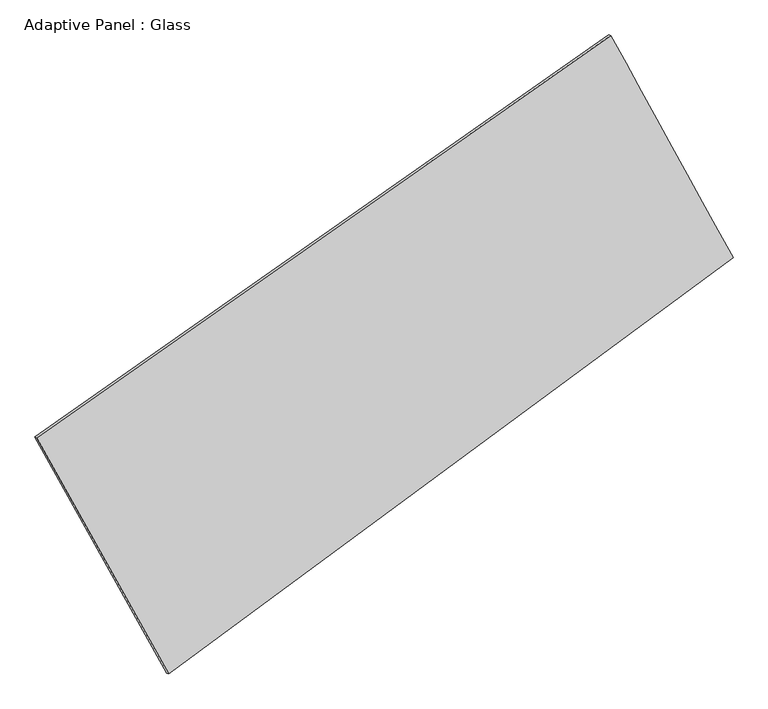
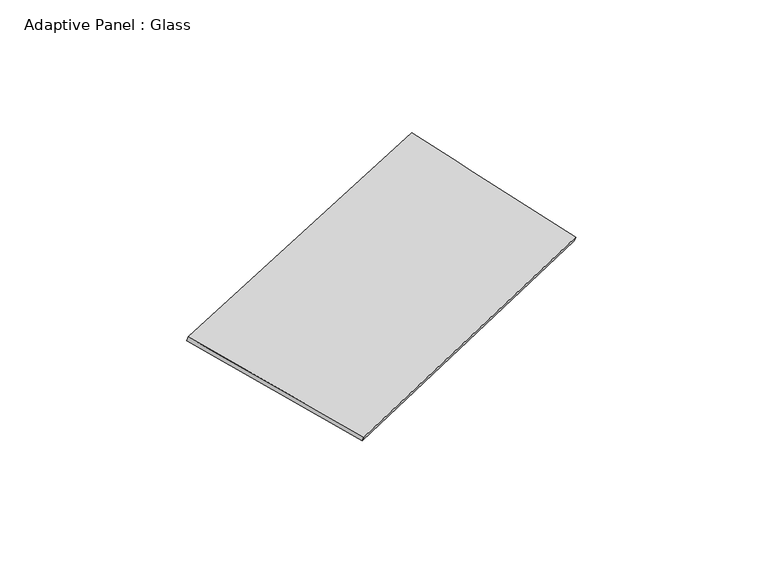
"""IFC4 building model written with IfcOpenShell, lengths in millimetres: plate geometry, Adaptive Panel : Glass."""

from ifc_helpers import new_model, si_unit, frame, origin, place, context, project, spatial, source, transform, mapped, element, save
from ifc_brep_helpers import plane_surface, spline_surface, advanced_brep


def adaptive_panel_glass_33a16bb7(model_context):
    return source(origin(), model_context, "Body", "AdvancedBrep", [
        advanced_brep(
        [(1209.6105516, 2529.589199, 685.0121241), (-3570.1316467, -820.500115, 1644.1992619), (-3555.4652909, -826.8802085, 1691.5721699), (1224.2769075, 2523.2091055, 732.3850321), (-2471.3984816, -2788.7730614, 1106.5842816), (-2456.7321258, -2795.1531549, 1153.9571896), (2228.6289986, 679.4354046, 49.3268526), (2243.2953544, 673.0553111, 96.6997607)],
        [
            (0, 1),
            (1, 2),
            (2, 3),
            (3, 0),
            (1, 4),
            (4, 5),
            (5, 2),
            (4, 6),
            (6, 7),
            (7, 5),
            (6, 0),
            (3, 7),
        ],
        [
            plane_surface(frame((-1180.2605475, 854.544542, 1164.605693), z_axis=(-0.5159397052776982, 0.8132090493233883, 0.2692531571152195), x_axis=(-0.8080500276149528, -0.5663568557446633, 0.16215753088429982))),
            plane_surface(frame((-3020.7650642, -1804.6365882, 1375.3917717), z_axis=(-0.8346407321819991, -0.5174588865632784, 0.18870916485266195), x_axis=(0.47412322354889375, -0.8493453586803641, -0.23199058295484665))),
            plane_surface(frame((-121.3847415, -1054.6688284, 577.9555671), z_axis=(0.5308705967149272, -0.802470331492318, -0.27242939749253725), x_axis=(0.7917788239826944, 0.5842633967708705, -0.17810832963774034))),
            plane_surface(frame((1719.1197751, 1604.5123018, 367.1694884), z_axis=(0.831857035735562, 0.5224754703689336, -0.18717172585624653), x_axis=(-0.4619718118284154, 0.8387668575944366, 0.2881877923804643))),
            spline_surface(1, 1, [[(-3555.4652909, -826.8802085, 1691.5721699), (1224.2769075, 2523.2091055, 732.3850321)], [(-2456.7321258, -2795.1531549, 1153.9571896), (2243.2953544, 673.0553111, 96.6997607)]], [2, 2], [2, 2], [0.0, 1.0], [0.0, 1.0]),
            spline_surface(1, 1, [[(2228.6289986, 679.4354046, 49.3268526), (1209.6105516, 2529.589199, 685.0121241)], [(-2471.3984816, -2788.7730614, 1106.5842816), (-3570.1316467, -820.500115, 1644.1992619)]], [2, 2], [2, 2], [0.0, 1.0], [0.0, 1.0]),
        ],
        [
            (0, [[1, 2, 3, 4]]),
            (1, [[5, 6, 7, -2]]),
            (2, [[8, 9, 10, -6]]),
            (3, [[11, -4, 12, -9]]),
            (4, [[-3, -7, -10, -12]]),
            (5, [[-11, -8, -5, -1]]),
        ],
    ),
    ])


if __name__ == "__main__":
    model = new_model("IFC4")
    model_context = context("Model", 3, world=origin())
    ifc_project = project(units=[si_unit("LENGTHUNIT", "METRE", prefix="MILLI")], contexts=[model_context])
    site = spatial("IfcSite", under=ifc_project)
    building = spatial("IfcBuilding", under=site)
    placement = place(None, origin())
    adaptive_panel_glass_shape = adaptive_panel_glass_33a16bb7(model_context)
    element("IfcPlate", 1, ObjectType="Adaptive Panel : Glass", at=placement, inside=building, context=model_context, shape_type="MappedRepresentation", body=[
        mapped(adaptive_panel_glass_shape, transform((0.0, 0.0, 0.0), x_axis=(1.0, 0.0, 0.0), y_axis=(0.0, 1.0, 0.0), z_axis=(0.0, 0.0, 1.0))),
    ])
    save(model, "model.ifc")
